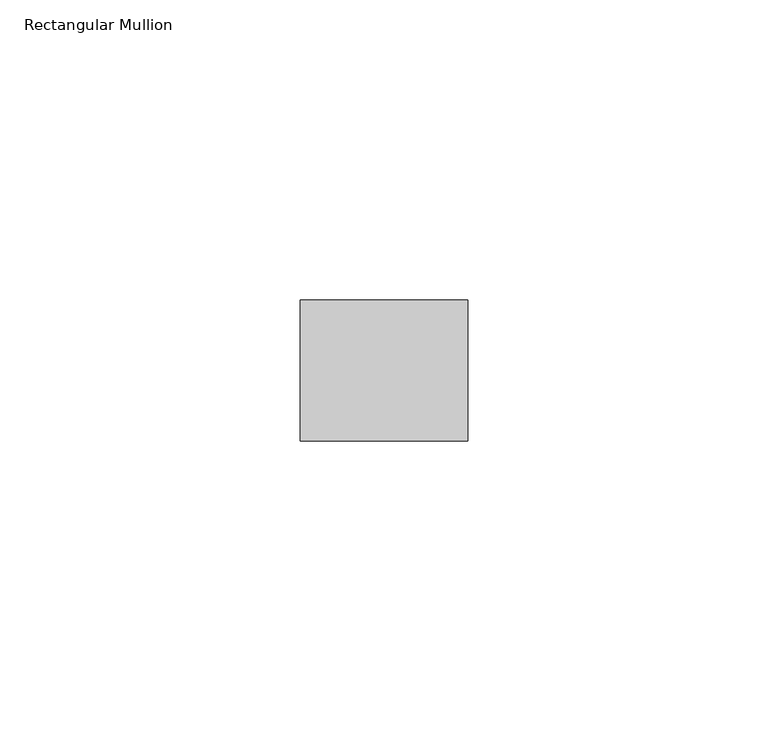
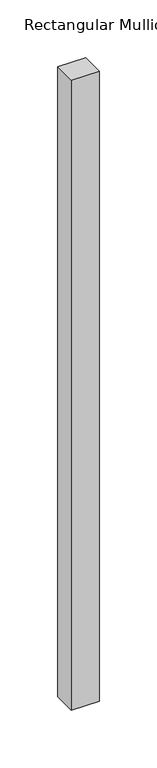
"""IFC4 building model written with IfcOpenShell, lengths in millimetres: member geometry, Rectangular Mullion."""

from ifc_helpers import new_model, si_unit, frame, origin, place, context, project, spatial, polyline, outline, extrude, source, transform, mapped, element, save


def rectangular_mullion_332ffa4a(model_context):
    return source(origin(), model_context, "Body", "SweptSolid", [
        extrude(outline(polyline([(0.0, -11.7474999), (-27.94, -11.7474999), (-27.94, 11.7474999), (0.0, 11.7474999), (0.0, -11.7474999)])), frame((0.0, 0.0, -666.6271986), z_axis=(0.0, 0.0, 1.0), x_axis=(1.0, 0.0, 0.0)), (0.0, 0.0, 1.0), 666.6271986),
    ])


if __name__ == "__main__":
    model = new_model("IFC4")
    model_context = context("Model", 3, world=origin())
    ifc_project = project(units=[si_unit("LENGTHUNIT", "METRE", prefix="MILLI")], contexts=[model_context])
    site = spatial("IfcSite", under=ifc_project)
    building = spatial("IfcBuilding", under=site)
    placement = place(None, origin())
    rectangular_mullion_shape = rectangular_mullion_332ffa4a(model_context)
    element("IfcMember", 1, ObjectType="Rectangular Mullion", at=placement, inside=building, context=model_context, shape_type="MappedRepresentation", body=[
        mapped(rectangular_mullion_shape, transform((0.0, 0.0, 0.0), x_axis=(1.0, 0.0, 0.0), y_axis=(0.0, 1.0, 0.0), z_axis=(0.0, 0.0, 1.0))),
    ])
    save(model, "model.ifc")
